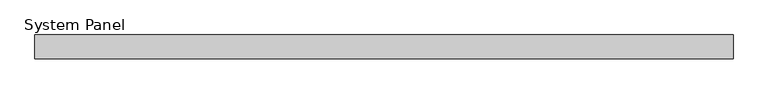
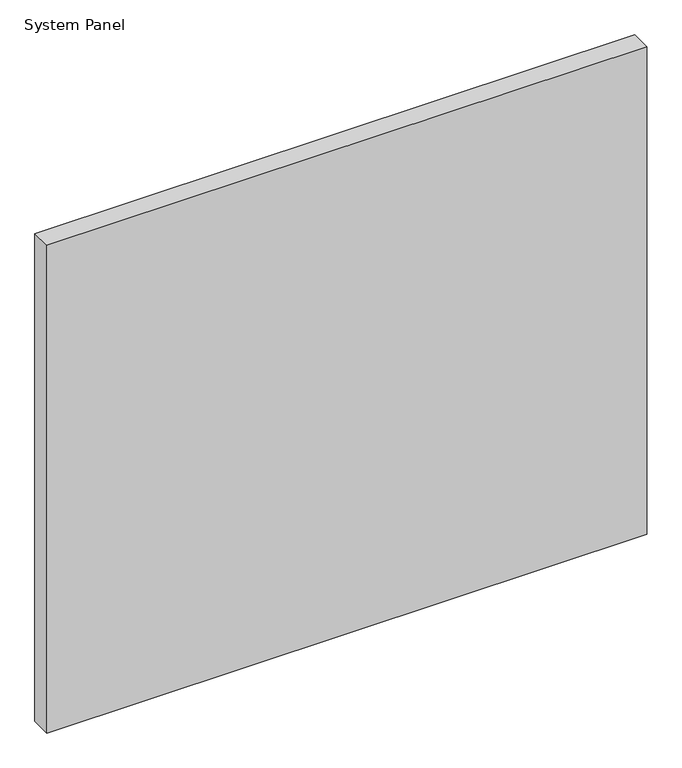
"""IFC4 building model written with IfcOpenShell, lengths in millimetres: plate geometry, System Panel."""

import ifcopenshell
import ifcopenshell.guid

model = None  # the IFC model being written
_history = None  # IfcOwnerHistory: only IFC2X3 demands one
_inside = {}  # id of a spatial element -> (the spatial element, [elements in it])
_under = {}  # id of a project, library or spatial element -> (it, [spatial elements below it])
_declared = {}  # id of a project -> (the project, [libraries it declares])
_typed = {}  # id of a type object -> (the type object, [elements of that type])
_made_of = {}  # id of a material, layer set ... -> (it, [elements and type objects made of it])


def new_model(schema):
    """Start an empty IFC model of exactly this schema.

    Asked for "IFC4X3", IfcOpenShell would pick the latest addendum, in which some entities
    have other attributes; the version numbers below select the first issue.
    IFC2X3 requires an IfcOwnerHistory on every rooted entity: one is made here for all.
    """
    global model, _history
    if schema == "IFC4X3":
        model = ifcopenshell.file(schema_version=(4, 3, 0, 0))
    else:
        model = ifcopenshell.file(schema=schema)
    _inside.clear()
    _under.clear()
    _declared.clear()
    _typed.clear()
    _made_of.clear()
    _history = None
    if model.schema == "IFC2X3":
        org = make("IfcOrganization", Name="unknown")
        user = make(
            "IfcPersonAndOrganization",
            ThePerson=make("IfcPerson", FamilyName="unknown"),
            TheOrganization=org,
        )
        app = make(
            "IfcApplication",
            ApplicationDeveloper=org,
            Version="unknown",
            ApplicationFullName="unknown",
            ApplicationIdentifier="unknown",
        )
        _history = make(
            "IfcOwnerHistory",
            OwningUser=user,
            OwningApplication=app,
            ChangeAction="ADDED",
            CreationDate=0,
        )
    return model


def make(cls, **values):
    """One entity of the class cls with the attributes given. An attribute that is None is left unset."""
    return model.create_entity(
        cls, **{name: value for name, value in values.items() if value is not None}
    )


def rooted(cls, **values):
    """An entity with a GlobalId (a new one), such as an element, a storey or a relation."""
    return make(cls, GlobalId=ifcopenshell.guid.new(), OwnerHistory=_history, **values)


def si_unit(unit_type, name, prefix=None):
    """IfcSIUnit, for example si_unit("LENGTHUNIT", "METRE", prefix="MILLI")."""
    return make("IfcSIUnit", UnitType=unit_type, Prefix=prefix, Name=name)


def assignment(units):
    """IfcUnitAssignment: the units of a project."""
    return None if units is None else make("IfcUnitAssignment", Units=units)


def point(xyz):
    """IfcCartesianPoint."""
    return None if xyz is None else make("IfcCartesianPoint", Coordinates=xyz)


def direction(xyz):
    """IfcDirection."""
    return None if xyz is None else make("IfcDirection", DirectionRatios=xyz)


def frame(location, z_axis=None, x_axis=None):
    """IfcAxis2Placement3D, a coordinate frame: its origin and axes. An axis left out is left unset."""
    return make(
        "IfcAxis2Placement3D",
        Location=point(location),
        Axis=direction(z_axis),
        RefDirection=direction(x_axis),
    )


def origin():
    """The frame at (0, 0, 0) with its axes left unset."""
    return frame((0.0, 0.0, 0.0))


def origin_with_axes():
    """The frame at (0, 0, 0) with the z axis (0, 0, 1) and the x axis (1, 0, 0) written out."""
    return frame((0.0, 0.0, 0.0), z_axis=(0.0, 0.0, 1.0), x_axis=(1.0, 0.0, 0.0))


def place(relative_to, where):
    """IfcLocalPlacement: puts the frame where relative to a parent placement (None: the world)."""
    return make(
        "IfcLocalPlacement", PlacementRelTo=relative_to, RelativePlacement=where
    )


def context(
    kind, dimensions, precision=None, world=None, true_north=None, identifier=None
):
    """IfcGeometricRepresentationContext, for example the 3D "Model" context."""
    return make(
        "IfcGeometricRepresentationContext",
        ContextIdentifier=identifier,
        ContextType=kind,
        CoordinateSpaceDimension=dimensions,
        Precision=precision,
        WorldCoordinateSystem=world,
        TrueNorth=true_north,
    )


def project(units=None, contexts=None):
    """IfcProject with its units and contexts."""
    return rooted(
        "IfcProject",
        Name="project",
        RepresentationContexts=contexts,
        UnitsInContext=assignment(units),
    )


def spatial(cls, under=None, at=None, **own):
    """A site, building, storey or space (cls), placed at a placement, below another one or the project."""
    s = rooted(cls, ObjectPlacement=at, **own)
    if under is not None:
        _under.setdefault(under.id(), (under, []))[1].append(s)
    return s


def polyline(points):
    """IfcPolyline through the points."""
    return make("IfcPolyline", Points=[point(p) for p in points])


def outline(outer, holes=None, kind="AREA"):
    """IfcArbitraryClosedProfileDef: a profile drawn as a closed curve; with holes, ...WithVoids."""
    if holes is None:
        return make("IfcArbitraryClosedProfileDef", ProfileType=kind, OuterCurve=outer)
    return make(
        "IfcArbitraryProfileDefWithVoids",
        ProfileType=kind,
        OuterCurve=outer,
        InnerCurves=holes,
    )


def extrude(swept, where, along, depth):
    """IfcExtrudedAreaSolid: the profile swept, set in the frame where, extruded along a direction by depth."""
    return make(
        "IfcExtrudedAreaSolid",
        SweptArea=swept,
        Position=where,
        ExtrudedDirection=direction(along),
        Depth=depth,
    )


def shape(context_of_items, identifier, shape_type, items):
    """IfcShapeRepresentation: the items that make up one representation, for example the "Body"."""
    return make(
        "IfcShapeRepresentation",
        ContextOfItems=context_of_items,
        RepresentationIdentifier=identifier,
        RepresentationType=shape_type,
        Items=items,
    )


def source(mapping_origin, context_of_items, identifier, shape_type, items):
    """IfcRepresentationMap: a shape defined once, which mapped items show again and again."""
    return make(
        "IfcRepresentationMap",
        MappingOrigin=mapping_origin,
        MappedRepresentation=shape(context_of_items, identifier, shape_type, items),
    )


def transform(
    local_origin,
    x_axis=None,
    y_axis=None,
    z_axis=None,
    scale=None,
    scale2=None,
    scale3=None,
    uniform=True,
):
    """IfcCartesianTransformationOperator3D, or its non-uniform kind. x_axis, y_axis, z_axis: its Axis1, 2, 3."""
    if uniform:
        return make(
            "IfcCartesianTransformationOperator3D",
            Axis1=direction(x_axis),
            Axis2=direction(y_axis),
            LocalOrigin=point(local_origin),
            Scale=scale,
            Axis3=direction(z_axis),
        )
    return make(
        "IfcCartesianTransformationOperator3DnonUniform",
        Axis1=direction(x_axis),
        Axis2=direction(y_axis),
        LocalOrigin=point(local_origin),
        Scale=scale,
        Axis3=direction(z_axis),
        Scale2=scale2,
        Scale3=scale3,
    )


def mapped(mapping_source, mapping_target):
    """IfcMappedItem: shows the shape of a source again, moved by a transform."""
    return make(
        "IfcMappedItem", MappingSource=mapping_source, MappingTarget=mapping_target
    )


def made_of(thing, what):
    """Note that an element or type object is made of a material, layer set ...; save() writes the relation."""
    if what is not None:
        _made_of.setdefault(what.id(), (what, []))[1].append(thing)
    return thing


def element(
    cls,
    number,
    at=None,
    inside=None,
    cuts=None,
    type_object=None,
    material=None,
    context=None,
    identifier="Body",
    shape_type=None,
    held_by="IfcProductDefinitionShape",
    body=None,
    shapes=None,
    **own,
):
    """One element of the class cls, such as IfcWall. Its Tag is "e" and its number.

    at: its placement. inside: the storey or other place that contains it. cuts: it is an
    opening in that element (IfcRelVoidsElement). A single representation is given by context,
    identifier, shape_type and body (its items); several are given by shapes. held_by: the class
    of the entity that holds the representations. save() writes the other relations.
    """
    e = rooted(cls, Tag="e%d" % number, ObjectPlacement=at, **own)
    if body is not None:
        shapes = [shape(context, identifier, shape_type, body)]
    if shapes is not None:
        e.Representation = make(held_by, Representations=shapes)
    if inside is not None:
        _inside.setdefault(inside.id(), (inside, []))[1].append(e)
    if cuts is not None:
        rooted(
            "IfcRelVoidsElement", RelatingBuildingElement=cuts, RelatedOpeningElement=e
        )
    if type_object is not None:
        _typed.setdefault(type_object.id(), (type_object, []))[1].append(e)
    return made_of(e, material)


def aggregate(whole, parts):
    """IfcRelAggregates: a whole, such as a stair, and the parts it consists of."""
    return rooted("IfcRelAggregates", RelatingObject=whole, RelatedObjects=parts)


def save(model, path):
    """Write the relations noted so far, then the file.

    IfcRelAggregates (storeys below a building ...), IfcRelContainedInSpatialStructure (elements
    in a storey), IfcRelDefinesByType, IfcRelAssociatesMaterial and IfcRelDeclares: one each for
    every whole, place, type object, material and project.
    """
    for whole, parts in _under.values():
        aggregate(whole, parts)
    for where, things in _inside.values():
        rooted(
            "IfcRelContainedInSpatialStructure",
            RelatedElements=things,
            RelatingStructure=where,
        )
    for kind, things in _typed.values():
        rooted("IfcRelDefinesByType", RelatedObjects=things, RelatingType=kind)
    for what, things in _made_of.values():
        rooted("IfcRelAssociatesMaterial", RelatedObjects=things, RelatingMaterial=what)
    for by, libraries in _declared.values():
        rooted("IfcRelDeclares", RelatingContext=by, RelatedDefinitions=libraries)
    model.write(path)


def system_panel_cb22c932(model_context):
    return source(origin(), model_context, "Body", "SweptSolid", [
        extrude(outline(polyline([(587.5, -54.0), (-587.5, -54.0), (-587.5, -14.0), (587.5, -14.0), (587.5, -54.0)])), origin_with_axes(), (0.0, 0.0, 1.0), 1010.0),
    ])


if __name__ == "__main__":
    model = new_model("IFC4")
    model_context = context("Model", 3, world=origin())
    ifc_project = project(units=[si_unit("LENGTHUNIT", "METRE", prefix="MILLI")], contexts=[model_context])
    site = spatial("IfcSite", under=ifc_project)
    building = spatial("IfcBuilding", under=site)
    placement = place(None, origin())
    system_panel_shape = system_panel_cb22c932(model_context)
    element("IfcPlate", 1, ObjectType="System Panel", at=placement, inside=building, context=model_context, shape_type="MappedRepresentation", body=[
        mapped(system_panel_shape, transform((0.0, 0.0, 0.0), x_axis=(1.0, 0.0, 0.0), y_axis=(0.0, 1.0, 0.0), z_axis=(0.0, 0.0, 1.0))),
    ])
    save(model, "model.ifc")
